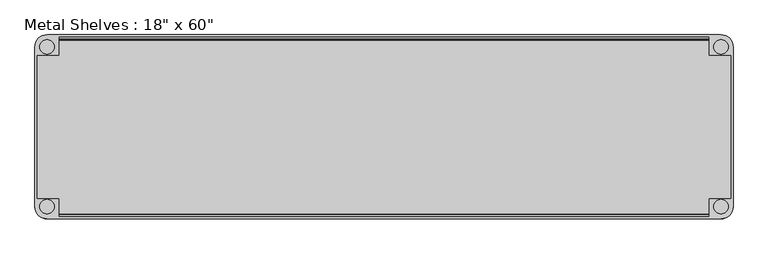
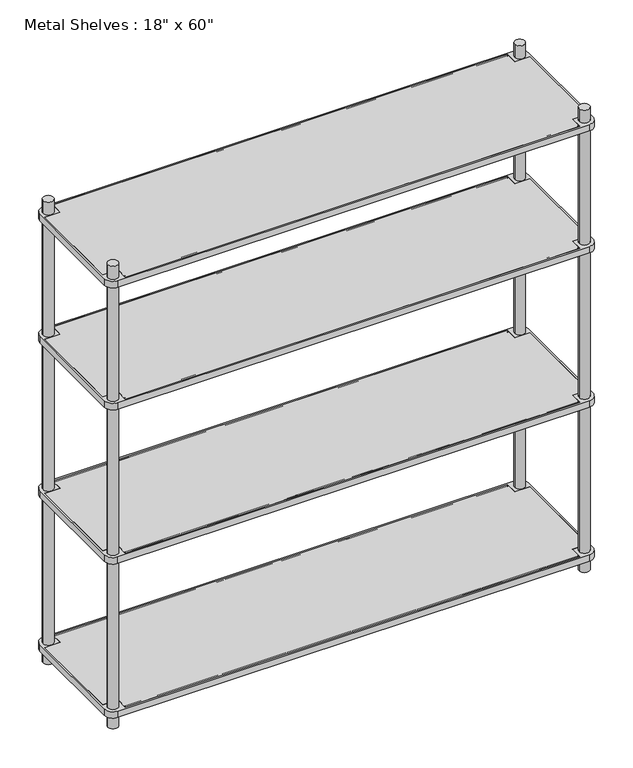
"""IFC4 building model written with IfcOpenShell, lengths in millimetres: furniture geometry."""

from ifc_helpers import new_model, si_unit, point, frame, frame_2d, origin, origin_with_axes, place, context, project, spatial, polyline, circle_curve, trimmed, segment, composite_curve, outline, extrude, source, transform, mapped, element, save


def furniture_a2092b4d(model_context):
    return source(origin(), model_context, "Body", "SweptSolid", [
        extrude(outline(polyline([(-850.9, 234.95), (850.9, 234.95), (850.9, 187.325), (908.05, 187.325), (908.05, -187.325), (850.9, -187.325), (850.9, -234.95), (-850.9, -234.95), (-850.9, -187.325), (-908.05, -187.325), (-908.05, 187.325), (-850.9, 187.325), (-850.9, 234.95)])), frame((0.0, 0.0, 50.8), z_axis=(0.0, 0.0, 1.0), x_axis=(1.0, 0.0, 0.0)), (0.0, 0.0, 1.0), 25.4),
        extrude(outline(polyline([(-850.9, 234.95), (850.9, 234.95), (850.9, 187.325), (908.05, 187.325), (908.05, -187.325), (850.9, -187.325), (850.9, -234.95), (-850.9, -234.95), (-850.9, -187.325), (-908.05, -187.325), (-908.05, 187.325), (-850.9, 187.325), (-850.9, 234.95)])), frame((0.0, 0.0, 660.4), z_axis=(0.0, 0.0, 1.0), x_axis=(1.0, 0.0, 0.0)), (0.0, 0.0, 1.0), 25.4),
        extrude(outline(polyline([(-850.9, 234.95), (850.9, 234.95), (850.9, 187.325), (908.05, 187.325), (908.05, -187.325), (850.9, -187.325), (850.9, -234.95), (-850.9, -234.95), (-850.9, -187.325), (-908.05, -187.325), (-908.05, 187.325), (-850.9, 187.325), (-850.9, 234.95)])), frame((0.0, 0.0, 1270.0), z_axis=(0.0, 0.0, 1.0), x_axis=(1.0, 0.0, 0.0)), (0.0, 0.0, 1.0), 25.4),
        extrude(outline(polyline([(-908.05, 187.325), (-850.9, 187.325), (-850.9, 234.95), (850.9, 234.95), (850.9, 187.325), (908.05, 187.325), (908.05, -187.325), (850.9, -187.325), (850.9, -234.95), (-850.9, -234.95), (-850.9, -187.325), (-908.05, -187.325), (-908.05, 187.325)])), frame((0.0, 0.0, 1752.6), z_axis=(0.0, 0.0, 1.0), x_axis=(1.0, 0.0, 0.0)), (0.0, 0.0, 1.0), 25.4),
        extrude(outline(composite_curve([segment(trimmed(circle_curve(frame_2d((882.65, -209.55)), 31.75), [point((914.4, -209.55))], [point((882.65, -241.3))], False, "CARTESIAN"), True, "CONTINUOUS"), segment(polyline([(882.65, -241.3), (-882.65, -241.3)]), True, "CONTINUOUS"), segment(trimmed(circle_curve(frame_2d((-882.65, -209.55)), 31.75), [point((-882.65, -241.3))], [point((-914.4, -209.55))], False, "CARTESIAN"), True, "CONTINUOUS"), segment(polyline([(-914.4, -209.55), (-914.4, 209.55)]), True, "CONTINUOUS"), segment(trimmed(circle_curve(frame_2d((-882.65, 209.55)), 31.75), [point((-914.4, 209.55))], [point((-882.65, 241.3))], False, "CARTESIAN"), True, "CONTINUOUS"), segment(polyline([(-882.65, 241.3), (882.65, 241.3)]), True, "CONTINUOUS"), segment(trimmed(circle_curve(frame_2d((882.65, 209.55)), 31.75), [point((882.65, 241.3))], [point((914.4, 209.55))], False, "CARTESIAN"), True, "CONTINUOUS"), segment(polyline([(914.4, 209.55), (914.4, -209.55)]), True, "CONTINUOUS")], self_intersect=False), holes=[polyline([(-850.9, -234.95), (850.9, -234.95), (850.9, -187.325), (908.05, -187.325), (908.05, 187.325), (850.9, 187.325), (850.9, 234.95), (-850.9, 234.95), (-850.9, 187.325), (-908.05, 187.325), (-908.05, -187.325), (-850.9, -187.325), (-850.9, -234.95)]), composite_curve([segment(trimmed(circle_curve(frame_2d((882.65, -209.55)), 19.05), [point((863.6, -209.55))], [point((901.7, -209.55))], True, "CARTESIAN"), True, "CONTINUOUS"), segment(trimmed(circle_curve(frame_2d((882.65, -209.55)), 19.05), [point((901.7, -209.55))], [point((863.6, -209.55))], True, "CARTESIAN"), True, "CONTINUOUS")], self_intersect=False), composite_curve([segment(trimmed(circle_curve(frame_2d((882.65, 209.55)), 19.05), [point((863.6, 209.55))], [point((901.7, 209.55))], True, "CARTESIAN"), True, "CONTINUOUS"), segment(trimmed(circle_curve(frame_2d((882.65, 209.55)), 19.05), [point((901.7, 209.55))], [point((863.6, 209.55))], True, "CARTESIAN"), True, "CONTINUOUS")], self_intersect=False), composite_curve([segment(trimmed(circle_curve(frame_2d((-882.65, 209.55)), 19.05), [point((-863.6, 209.55))], [point((-901.7, 209.55))], True, "CARTESIAN"), True, "CONTINUOUS"), segment(trimmed(circle_curve(frame_2d((-882.65, 209.55)), 19.05), [point((-901.7, 209.55))], [point((-863.6, 209.55))], True, "CARTESIAN"), True, "CONTINUOUS")], self_intersect=False), composite_curve([segment(trimmed(circle_curve(frame_2d((-882.65, -209.55)), 19.05), [point((-863.6, -209.55))], [point((-901.7, -209.55))], True, "CARTESIAN"), True, "CONTINUOUS"), segment(trimmed(circle_curve(frame_2d((-882.65, -209.55)), 19.05), [point((-901.7, -209.55))], [point((-863.6, -209.55))], True, "CARTESIAN"), True, "CONTINUOUS")], self_intersect=False)]), frame((0.0, 0.0, 660.4), z_axis=(0.0, 0.0, 1.0), x_axis=(1.0, 0.0, 0.0)), (0.0, 0.0, 1.0), 25.4),
        extrude(outline(composite_curve([segment(trimmed(circle_curve(frame_2d((-882.65, -209.55)), 31.75), [point((-882.65, -241.3))], [point((-914.4, -209.55))], False, "CARTESIAN"), True, "CONTINUOUS"), segment(polyline([(-914.4, -209.55), (-914.4, 209.55)]), True, "CONTINUOUS"), segment(trimmed(circle_curve(frame_2d((-882.65, 209.55)), 31.75), [point((-914.4, 209.55))], [point((-882.65, 241.3))], False, "CARTESIAN"), True, "CONTINUOUS"), segment(polyline([(-882.65, 241.3), (882.65, 241.3)]), True, "CONTINUOUS"), segment(trimmed(circle_curve(frame_2d((882.65, 209.55)), 31.75), [point((882.65, 241.3))], [point((914.4, 209.55))], False, "CARTESIAN"), True, "CONTINUOUS"), segment(polyline([(914.4, 209.55), (914.4, -209.55)]), True, "CONTINUOUS"), segment(trimmed(circle_curve(frame_2d((882.65, -209.55)), 31.75), [point((914.4, -209.55))], [point((882.65, -241.3))], False, "CARTESIAN"), True, "CONTINUOUS"), segment(polyline([(882.65, -241.3), (-882.65, -241.3)]), True, "CONTINUOUS")], self_intersect=False), holes=[composite_curve([segment(trimmed(circle_curve(frame_2d((-882.65, -209.55)), 19.05), [point((-863.6, -209.55))], [point((-901.7, -209.55))], True, "CARTESIAN"), True, "CONTINUOUS"), segment(trimmed(circle_curve(frame_2d((-882.65, -209.55)), 19.05), [point((-901.7, -209.55))], [point((-863.6, -209.55))], True, "CARTESIAN"), True, "CONTINUOUS")], self_intersect=False), composite_curve([segment(trimmed(circle_curve(frame_2d((-882.65, 209.55)), 19.05), [point((-863.6, 209.55))], [point((-901.7, 209.55))], True, "CARTESIAN"), True, "CONTINUOUS"), segment(trimmed(circle_curve(frame_2d((-882.65, 209.55)), 19.05), [point((-901.7, 209.55))], [point((-863.6, 209.55))], True, "CARTESIAN"), True, "CONTINUOUS")], self_intersect=False), composite_curve([segment(trimmed(circle_curve(frame_2d((882.65, -209.55)), 19.05), [point((863.6, -209.55))], [point((901.7, -209.55))], True, "CARTESIAN"), True, "CONTINUOUS"), segment(trimmed(circle_curve(frame_2d((882.65, -209.55)), 19.05), [point((901.7, -209.55))], [point((863.6, -209.55))], True, "CARTESIAN"), True, "CONTINUOUS")], self_intersect=False), composite_curve([segment(trimmed(circle_curve(frame_2d((882.65, 209.55)), 19.05), [point((863.6, 209.55))], [point((901.7, 209.55))], True, "CARTESIAN"), True, "CONTINUOUS"), segment(trimmed(circle_curve(frame_2d((882.65, 209.55)), 19.05), [point((901.7, 209.55))], [point((863.6, 209.55))], True, "CARTESIAN"), True, "CONTINUOUS")], self_intersect=False), polyline([(-850.9, -234.95), (850.9, -234.95), (850.9, -187.325), (908.05, -187.325), (908.05, 187.325), (850.9, 187.325), (850.9, 234.95), (-850.9, 234.95), (-850.9, 187.325), (-908.05, 187.325), (-908.05, -187.325), (-850.9, -187.325), (-850.9, -234.95)])]), frame((0.0, 0.0, 50.8), z_axis=(0.0, 0.0, 1.0), x_axis=(1.0, 0.0, 0.0)), (0.0, 0.0, 1.0), 25.4),
        extrude(outline(composite_curve([segment(trimmed(circle_curve(frame_2d((-882.65, 209.55)), 31.75), [point((-914.4, 209.55))], [point((-882.65, 241.3))], False, "CARTESIAN"), True, "CONTINUOUS"), segment(polyline([(-882.65, 241.3), (882.65, 241.3)]), True, "CONTINUOUS"), segment(trimmed(circle_curve(frame_2d((882.65, 209.55)), 31.75), [point((882.65, 241.3))], [point((914.4, 209.55))], False, "CARTESIAN"), True, "CONTINUOUS"), segment(polyline([(914.4, 209.55), (914.4, -209.55)]), True, "CONTINUOUS"), segment(trimmed(circle_curve(frame_2d((882.65, -209.55)), 31.75), [point((914.4, -209.55))], [point((882.65, -241.3))], False, "CARTESIAN"), True, "CONTINUOUS"), segment(polyline([(882.65, -241.3), (-882.65, -241.3)]), True, "CONTINUOUS"), segment(trimmed(circle_curve(frame_2d((-882.65, -209.55)), 31.75), [point((-882.65, -241.3))], [point((-914.4, -209.55))], False, "CARTESIAN"), True, "CONTINUOUS"), segment(polyline([(-914.4, -209.55), (-914.4, 209.55)]), True, "CONTINUOUS")], self_intersect=False), holes=[composite_curve([segment(trimmed(circle_curve(frame_2d((-882.65, 209.55)), 19.05), [point((-863.6, 209.55))], [point((-901.7, 209.55))], True, "CARTESIAN"), True, "CONTINUOUS"), segment(trimmed(circle_curve(frame_2d((-882.65, 209.55)), 19.05), [point((-901.7, 209.55))], [point((-863.6, 209.55))], True, "CARTESIAN"), True, "CONTINUOUS")], self_intersect=False), composite_curve([segment(trimmed(circle_curve(frame_2d((-882.65, -209.55)), 19.05), [point((-863.6, -209.55))], [point((-901.7, -209.55))], True, "CARTESIAN"), True, "CONTINUOUS"), segment(trimmed(circle_curve(frame_2d((-882.65, -209.55)), 19.05), [point((-901.7, -209.55))], [point((-863.6, -209.55))], True, "CARTESIAN"), True, "CONTINUOUS")], self_intersect=False), composite_curve([segment(trimmed(circle_curve(frame_2d((882.65, -209.55)), 19.05), [point((863.6, -209.55))], [point((901.7, -209.55))], True, "CARTESIAN"), True, "CONTINUOUS"), segment(trimmed(circle_curve(frame_2d((882.65, -209.55)), 19.05), [point((901.7, -209.55))], [point((863.6, -209.55))], True, "CARTESIAN"), True, "CONTINUOUS")], self_intersect=False), polyline([(-850.9, -234.95), (850.9, -234.95), (850.9, -187.325), (908.05, -187.325), (908.05, 187.325), (850.9, 187.325), (850.9, 234.95), (-850.9, 234.95), (-850.9, 187.325), (-908.05, 187.325), (-908.05, -187.325), (-850.9, -187.325), (-850.9, -234.95)]), composite_curve([segment(trimmed(circle_curve(frame_2d((882.65, 209.55)), 19.05), [point((863.6, 209.55))], [point((901.7, 209.55))], True, "CARTESIAN"), True, "CONTINUOUS"), segment(trimmed(circle_curve(frame_2d((882.65, 209.55)), 19.05), [point((901.7, 209.55))], [point((863.6, 209.55))], True, "CARTESIAN"), True, "CONTINUOUS")], self_intersect=False)]), frame((0.0, 0.0, 1270.0), z_axis=(0.0, 0.0, 1.0), x_axis=(1.0, 0.0, 0.0)), (0.0, 0.0, 1.0), 25.4),
        extrude(outline(composite_curve([segment(trimmed(circle_curve(frame_2d((-882.65, -209.55)), 31.75), [point((-882.65, -241.3))], [point((-914.4, -209.55))], False, "CARTESIAN"), True, "CONTINUOUS"), segment(polyline([(-914.4, -209.55), (-914.4, 209.55)]), True, "CONTINUOUS"), segment(trimmed(circle_curve(frame_2d((-882.65, 209.55)), 31.75), [point((-914.4, 209.55))], [point((-882.65, 241.3))], False, "CARTESIAN"), True, "CONTINUOUS"), segment(polyline([(-882.65, 241.3), (882.65, 241.3)]), True, "CONTINUOUS"), segment(trimmed(circle_curve(frame_2d((882.65, 209.55)), 31.75), [point((882.65, 241.3))], [point((914.4, 209.55))], False, "CARTESIAN"), True, "CONTINUOUS"), segment(polyline([(914.4, 209.55), (914.4, -209.55)]), True, "CONTINUOUS"), segment(trimmed(circle_curve(frame_2d((882.65, -209.55)), 31.75), [point((914.4, -209.55))], [point((882.65, -241.3))], False, "CARTESIAN"), True, "CONTINUOUS"), segment(polyline([(882.65, -241.3), (-882.65, -241.3)]), True, "CONTINUOUS")], self_intersect=False), holes=[composite_curve([segment(trimmed(circle_curve(frame_2d((882.65, 209.55)), 19.05), [point((863.6, 209.55))], [point((901.7, 209.55))], True, "CARTESIAN"), True, "CONTINUOUS"), segment(trimmed(circle_curve(frame_2d((882.65, 209.55)), 19.05), [point((901.7, 209.55))], [point((863.6, 209.55))], True, "CARTESIAN"), True, "CONTINUOUS")], self_intersect=False), composite_curve([segment(trimmed(circle_curve(frame_2d((882.65, -209.55)), 19.05), [point((863.6, -209.55))], [point((901.7, -209.55))], True, "CARTESIAN"), True, "CONTINUOUS"), segment(trimmed(circle_curve(frame_2d((882.65, -209.55)), 19.05), [point((901.7, -209.55))], [point((863.6, -209.55))], True, "CARTESIAN"), True, "CONTINUOUS")], self_intersect=False), composite_curve([segment(trimmed(circle_curve(frame_2d((-882.65, 209.55)), 19.05), [point((-863.6, 209.55))], [point((-901.7, 209.55))], True, "CARTESIAN"), True, "CONTINUOUS"), segment(trimmed(circle_curve(frame_2d((-882.65, 209.55)), 19.05), [point((-901.7, 209.55))], [point((-863.6, 209.55))], True, "CARTESIAN"), True, "CONTINUOUS")], self_intersect=False), polyline([(908.05, -187.325), (908.05, 187.325), (850.9, 187.325), (850.9, 234.95), (-850.9, 234.95), (-850.9, 187.325), (-908.05, 187.325), (-908.05, -187.325), (-850.9, -187.325), (-850.9, -234.95), (850.9, -234.95), (850.9, -187.325), (908.05, -187.325)]), composite_curve([segment(trimmed(circle_curve(frame_2d((-882.65, -209.55)), 19.05), [point((-863.6, -209.55))], [point((-901.7, -209.55))], True, "CARTESIAN"), True, "CONTINUOUS"), segment(trimmed(circle_curve(frame_2d((-882.65, -209.55)), 19.05), [point((-901.7, -209.55))], [point((-863.6, -209.55))], True, "CARTESIAN"), True, "CONTINUOUS")], self_intersect=False)]), frame((0.0, 0.0, 1752.6), z_axis=(0.0, 0.0, 1.0), x_axis=(1.0, 0.0, 0.0)), (0.0, 0.0, 1.0), 25.4),
        extrude(outline(composite_curve([segment(trimmed(circle_curve(frame_2d((228.6, 1776.4125)), 1.5875), [point((227.0125, 1776.4125))], [point((230.1875, 1776.4125))], False, "CARTESIAN"), True, "CONTINUOUS"), segment(trimmed(circle_curve(frame_2d((228.6, 1776.4125)), 1.5875), [point((230.1875, 1776.4125))], [point((227.0125, 1776.4125))], False, "CARTESIAN"), True, "CONTINUOUS")], self_intersect=False)), frame((-850.9, 0.0, 0.0), z_axis=(1.0, 0.0, 0.0), x_axis=(0.0, 1.0, 0.0)), (0.0, 0.0, 1.0), 1701.8),
        extrude(outline(composite_curve([segment(trimmed(circle_curve(frame_2d((-228.6, 1776.4125)), 1.5875), [point((-230.1875, 1776.4125))], [point((-227.0125, 1776.4125))], False, "CARTESIAN"), True, "CONTINUOUS"), segment(trimmed(circle_curve(frame_2d((-228.6, 1776.4125)), 1.5875), [point((-227.0125, 1776.4125))], [point((-230.1875, 1776.4125))], False, "CARTESIAN"), True, "CONTINUOUS")], self_intersect=False)), frame((-850.9, 0.0, 0.0), z_axis=(1.0, 0.0, 0.0), x_axis=(0.0, 1.0, 0.0)), (0.0, 0.0, 1.0), 1701.8),
        extrude(outline(composite_curve([segment(trimmed(circle_curve(frame_2d((228.6, 1293.8125)), 1.5875), [point((227.0125, 1293.8125))], [point((230.1875, 1293.8125))], False, "CARTESIAN"), True, "CONTINUOUS"), segment(trimmed(circle_curve(frame_2d((228.6, 1293.8125)), 1.5875), [point((230.1875, 1293.8125))], [point((227.0125, 1293.8125))], False, "CARTESIAN"), True, "CONTINUOUS")], self_intersect=False)), frame((-850.9, 0.0, 0.0), z_axis=(1.0, 0.0, 0.0), x_axis=(0.0, 1.0, 0.0)), (0.0, 0.0, 1.0), 1701.8),
        extrude(outline(composite_curve([segment(trimmed(circle_curve(frame_2d((-228.6, 1293.8125)), 1.5875), [point((-230.1875, 1293.8125))], [point((-227.0125, 1293.8125))], False, "CARTESIAN"), True, "CONTINUOUS"), segment(trimmed(circle_curve(frame_2d((-228.6, 1293.8125)), 1.5875), [point((-227.0125, 1293.8125))], [point((-230.1875, 1293.8125))], False, "CARTESIAN"), True, "CONTINUOUS")], self_intersect=False)), frame((-850.9, 0.0, 0.0), z_axis=(1.0, 0.0, 0.0), x_axis=(0.0, 1.0, 0.0)), (0.0, 0.0, 1.0), 1701.8),
        extrude(outline(composite_curve([segment(trimmed(circle_curve(frame_2d((228.6, 684.2125)), 1.5875), [point((227.0125, 684.2125))], [point((230.1875, 684.2125))], False, "CARTESIAN"), True, "CONTINUOUS"), segment(trimmed(circle_curve(frame_2d((228.6, 684.2125)), 1.5875), [point((230.1875, 684.2125))], [point((227.0125, 684.2125))], False, "CARTESIAN"), True, "CONTINUOUS")], self_intersect=False)), frame((-850.9, 0.0, 0.0), z_axis=(1.0, 0.0, 0.0), x_axis=(0.0, 1.0, 0.0)), (0.0, 0.0, 1.0), 1701.8),
        extrude(outline(composite_curve([segment(trimmed(circle_curve(frame_2d((-228.6, 684.2125)), 1.5875), [point((-230.1875, 684.2125))], [point((-227.0125, 684.2125))], False, "CARTESIAN"), True, "CONTINUOUS"), segment(trimmed(circle_curve(frame_2d((-228.6, 684.2125)), 1.5875), [point((-227.0125, 684.2125))], [point((-230.1875, 684.2125))], False, "CARTESIAN"), True, "CONTINUOUS")], self_intersect=False)), frame((-850.9, 0.0, 0.0), z_axis=(1.0, 0.0, 0.0), x_axis=(0.0, 1.0, 0.0)), (0.0, 0.0, 1.0), 1701.8),
        extrude(outline(composite_curve([segment(trimmed(circle_curve(frame_2d((228.6, 74.6125)), 1.5875), [point((227.0125, 74.6125))], [point((230.1875, 74.6125))], False, "CARTESIAN"), True, "CONTINUOUS"), segment(trimmed(circle_curve(frame_2d((228.6, 74.6125)), 1.5875), [point((230.1875, 74.6125))], [point((227.0125, 74.6125))], False, "CARTESIAN"), True, "CONTINUOUS")], self_intersect=False)), frame((-850.9, 0.0, 0.0), z_axis=(1.0, 0.0, 0.0), x_axis=(0.0, 1.0, 0.0)), (0.0, 0.0, 1.0), 1701.8),
        extrude(outline(composite_curve([segment(trimmed(circle_curve(frame_2d((-228.6, 74.6125)), 1.5875), [point((-230.1875, 74.6125))], [point((-227.0125, 74.6125))], False, "CARTESIAN"), True, "CONTINUOUS"), segment(trimmed(circle_curve(frame_2d((-228.6, 74.6125)), 1.5875), [point((-227.0125, 74.6125))], [point((-230.1875, 74.6125))], False, "CARTESIAN"), True, "CONTINUOUS")], self_intersect=False)), frame((-850.9, 0.0, 0.0), z_axis=(1.0, 0.0, 0.0), x_axis=(0.0, 1.0, 0.0)), (0.0, 0.0, 1.0), 1701.8),
        extrude(outline(composite_curve([segment(trimmed(circle_curve(frame_2d((882.65, -209.55)), 19.05), [point((901.7, -209.55))], [point((863.6, -209.55))], False, "CARTESIAN"), True, "CONTINUOUS"), segment(trimmed(circle_curve(frame_2d((882.65, -209.55)), 19.05), [point((863.6, -209.55))], [point((901.7, -209.55))], False, "CARTESIAN"), True, "CONTINUOUS")], self_intersect=False)), origin_with_axes(), (0.0, 0.0, 1.0), 1828.8),
        extrude(outline(composite_curve([segment(trimmed(circle_curve(frame_2d((-882.65, -209.55)), 19.05), [point((-901.7, -209.55))], [point((-863.6, -209.55))], False, "CARTESIAN"), True, "CONTINUOUS"), segment(trimmed(circle_curve(frame_2d((-882.65, -209.55)), 19.05), [point((-863.6, -209.55))], [point((-901.7, -209.55))], False, "CARTESIAN"), True, "CONTINUOUS")], self_intersect=False)), origin_with_axes(), (0.0, 0.0, 1.0), 1828.8),
        extrude(outline(composite_curve([segment(trimmed(circle_curve(frame_2d((882.65, 209.55)), 19.05), [point((901.7, 209.55))], [point((863.6, 209.55))], False, "CARTESIAN"), True, "CONTINUOUS"), segment(trimmed(circle_curve(frame_2d((882.65, 209.55)), 19.05), [point((863.6, 209.55))], [point((901.7, 209.55))], False, "CARTESIAN"), True, "CONTINUOUS")], self_intersect=False)), origin_with_axes(), (0.0, 0.0, 1.0), 1828.8),
        extrude(outline(composite_curve([segment(trimmed(circle_curve(frame_2d((-882.65, 209.55)), 19.05), [point((-901.7, 209.55))], [point((-863.6, 209.55))], False, "CARTESIAN"), True, "CONTINUOUS"), segment(trimmed(circle_curve(frame_2d((-882.65, 209.55)), 19.05), [point((-863.6, 209.55))], [point((-901.7, 209.55))], False, "CARTESIAN"), True, "CONTINUOUS")], self_intersect=False)), origin_with_axes(), (0.0, 0.0, 1.0), 1828.8),
    ])


if __name__ == "__main__":
    model = new_model("IFC4")
    model_context = context("Model", 3, world=origin())
    ifc_project = project(units=[si_unit("LENGTHUNIT", "METRE", prefix="MILLI")], contexts=[model_context])
    site = spatial("IfcSite", under=ifc_project)
    building = spatial("IfcBuilding", under=site)
    placement = place(None, origin())
    furniture_shape = furniture_a2092b4d(model_context)
    element("IfcFurniture", 1, ObjectType="Metal Shelves : 18\" x 60\"", at=placement, inside=building, context=model_context, shape_type="MappedRepresentation", body=[
        mapped(furniture_shape, transform((0.0, 0.0, 0.0), x_axis=(1.0, 0.0, 0.0), y_axis=(0.0, 1.0, 0.0), z_axis=(0.0, 0.0, 1.0))),
    ])
    save(model, "model.ifc")
